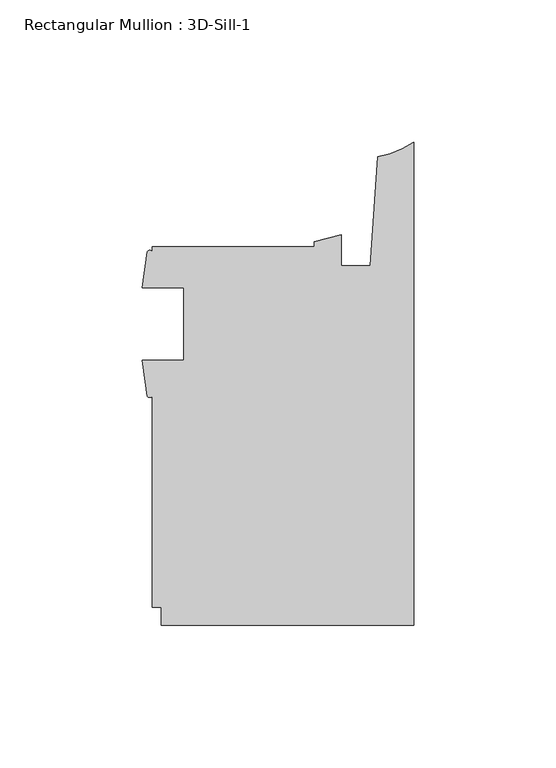
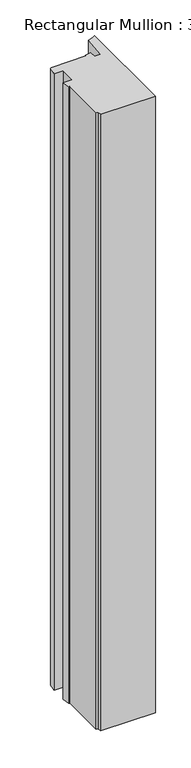
"""IFC4 building model written with IfcOpenShell, lengths in millimetres: member geometry, Rectangular Mullion : 3D-Sill-1."""

import ifcopenshell
import ifcopenshell.guid

model = None  # the IFC model being written
_history = None  # IfcOwnerHistory: only IFC2X3 demands one
_inside = {}  # id of a spatial element -> (the spatial element, [elements in it])
_under = {}  # id of a project, library or spatial element -> (it, [spatial elements below it])
_declared = {}  # id of a project -> (the project, [libraries it declares])
_typed = {}  # id of a type object -> (the type object, [elements of that type])
_made_of = {}  # id of a material, layer set ... -> (it, [elements and type objects made of it])


def new_model(schema):
    """Start an empty IFC model of exactly this schema.

    Asked for "IFC4X3", IfcOpenShell would pick the latest addendum, in which some entities
    have other attributes; the version numbers below select the first issue.
    IFC2X3 requires an IfcOwnerHistory on every rooted entity: one is made here for all.
    """
    global model, _history
    if schema == "IFC4X3":
        model = ifcopenshell.file(schema_version=(4, 3, 0, 0))
    else:
        model = ifcopenshell.file(schema=schema)
    _inside.clear()
    _under.clear()
    _declared.clear()
    _typed.clear()
    _made_of.clear()
    _history = None
    if model.schema == "IFC2X3":
        org = make("IfcOrganization", Name="unknown")
        user = make(
            "IfcPersonAndOrganization",
            ThePerson=make("IfcPerson", FamilyName="unknown"),
            TheOrganization=org,
        )
        app = make(
            "IfcApplication",
            ApplicationDeveloper=org,
            Version="unknown",
            ApplicationFullName="unknown",
            ApplicationIdentifier="unknown",
        )
        _history = make(
            "IfcOwnerHistory",
            OwningUser=user,
            OwningApplication=app,
            ChangeAction="ADDED",
            CreationDate=0,
        )
    return model


def make(cls, **values):
    """One entity of the class cls with the attributes given. An attribute that is None is left unset."""
    return model.create_entity(
        cls, **{name: value for name, value in values.items() if value is not None}
    )


def rooted(cls, **values):
    """An entity with a GlobalId (a new one), such as an element, a storey or a relation."""
    return make(cls, GlobalId=ifcopenshell.guid.new(), OwnerHistory=_history, **values)


def si_unit(unit_type, name, prefix=None):
    """IfcSIUnit, for example si_unit("LENGTHUNIT", "METRE", prefix="MILLI")."""
    return make("IfcSIUnit", UnitType=unit_type, Prefix=prefix, Name=name)


def assignment(units):
    """IfcUnitAssignment: the units of a project."""
    return None if units is None else make("IfcUnitAssignment", Units=units)


def point(xyz):
    """IfcCartesianPoint."""
    return None if xyz is None else make("IfcCartesianPoint", Coordinates=xyz)


def direction(xyz):
    """IfcDirection."""
    return None if xyz is None else make("IfcDirection", DirectionRatios=xyz)


def frame(location, z_axis=None, x_axis=None):
    """IfcAxis2Placement3D, a coordinate frame: its origin and axes. An axis left out is left unset."""
    return make(
        "IfcAxis2Placement3D",
        Location=point(location),
        Axis=direction(z_axis),
        RefDirection=direction(x_axis),
    )


def frame_2d(location, x_axis=None):
    """IfcAxis2Placement2D, a coordinate frame in the plane: its origin and x axis."""
    return make(
        "IfcAxis2Placement2D", Location=point(location), RefDirection=direction(x_axis)
    )


def origin():
    """The frame at (0, 0, 0) with its axes left unset."""
    return frame((0.0, 0.0, 0.0))


def place(relative_to, where):
    """IfcLocalPlacement: puts the frame where relative to a parent placement (None: the world)."""
    return make(
        "IfcLocalPlacement", PlacementRelTo=relative_to, RelativePlacement=where
    )


def context(
    kind, dimensions, precision=None, world=None, true_north=None, identifier=None
):
    """IfcGeometricRepresentationContext, for example the 3D "Model" context."""
    return make(
        "IfcGeometricRepresentationContext",
        ContextIdentifier=identifier,
        ContextType=kind,
        CoordinateSpaceDimension=dimensions,
        Precision=precision,
        WorldCoordinateSystem=world,
        TrueNorth=true_north,
    )


def project(units=None, contexts=None):
    """IfcProject with its units and contexts."""
    return rooted(
        "IfcProject",
        Name="project",
        RepresentationContexts=contexts,
        UnitsInContext=assignment(units),
    )


def spatial(cls, under=None, at=None, **own):
    """A site, building, storey or space (cls), placed at a placement, below another one or the project."""
    s = rooted(cls, ObjectPlacement=at, **own)
    if under is not None:
        _under.setdefault(under.id(), (under, []))[1].append(s)
    return s


def polyline(points):
    """IfcPolyline through the points."""
    return make("IfcPolyline", Points=[point(p) for p in points])


def circle_curve(where, radius):
    """IfcCircle in the frame where."""
    return make("IfcCircle", Position=where, Radius=radius)


def trimmed(basis, trim1, trim2, sense, master):
    """IfcTrimmedCurve: the piece of a basis curve between two trims."""
    return make(
        "IfcTrimmedCurve",
        BasisCurve=basis,
        Trim1=trim1,
        Trim2=trim2,
        SenseAgreement=sense,
        MasterRepresentation=master,
    )


def segment(curve, same_sense, transition):
    """IfcCompositeCurveSegment."""
    return make(
        "IfcCompositeCurveSegment",
        Transition=transition,
        SameSense=same_sense,
        ParentCurve=curve,
    )


def composite_curve(segments, self_intersect=None):
    """IfcCompositeCurve: segments joined end to end."""
    return make("IfcCompositeCurve", Segments=segments, SelfIntersect=self_intersect)


def outline(outer, holes=None, kind="AREA"):
    """IfcArbitraryClosedProfileDef: a profile drawn as a closed curve; with holes, ...WithVoids."""
    if holes is None:
        return make("IfcArbitraryClosedProfileDef", ProfileType=kind, OuterCurve=outer)
    return make(
        "IfcArbitraryProfileDefWithVoids",
        ProfileType=kind,
        OuterCurve=outer,
        InnerCurves=holes,
    )


def extrude(swept, where, along, depth):
    """IfcExtrudedAreaSolid: the profile swept, set in the frame where, extruded along a direction by depth."""
    return make(
        "IfcExtrudedAreaSolid",
        SweptArea=swept,
        Position=where,
        ExtrudedDirection=direction(along),
        Depth=depth,
    )


def shape(context_of_items, identifier, shape_type, items):
    """IfcShapeRepresentation: the items that make up one representation, for example the "Body"."""
    return make(
        "IfcShapeRepresentation",
        ContextOfItems=context_of_items,
        RepresentationIdentifier=identifier,
        RepresentationType=shape_type,
        Items=items,
    )


def source(mapping_origin, context_of_items, identifier, shape_type, items):
    """IfcRepresentationMap: a shape defined once, which mapped items show again and again."""
    return make(
        "IfcRepresentationMap",
        MappingOrigin=mapping_origin,
        MappedRepresentation=shape(context_of_items, identifier, shape_type, items),
    )


def transform(
    local_origin,
    x_axis=None,
    y_axis=None,
    z_axis=None,
    scale=None,
    scale2=None,
    scale3=None,
    uniform=True,
):
    """IfcCartesianTransformationOperator3D, or its non-uniform kind. x_axis, y_axis, z_axis: its Axis1, 2, 3."""
    if uniform:
        return make(
            "IfcCartesianTransformationOperator3D",
            Axis1=direction(x_axis),
            Axis2=direction(y_axis),
            LocalOrigin=point(local_origin),
            Scale=scale,
            Axis3=direction(z_axis),
        )
    return make(
        "IfcCartesianTransformationOperator3DnonUniform",
        Axis1=direction(x_axis),
        Axis2=direction(y_axis),
        LocalOrigin=point(local_origin),
        Scale=scale,
        Axis3=direction(z_axis),
        Scale2=scale2,
        Scale3=scale3,
    )


def mapped(mapping_source, mapping_target):
    """IfcMappedItem: shows the shape of a source again, moved by a transform."""
    return make(
        "IfcMappedItem", MappingSource=mapping_source, MappingTarget=mapping_target
    )


def made_of(thing, what):
    """Note that an element or type object is made of a material, layer set ...; save() writes the relation."""
    if what is not None:
        _made_of.setdefault(what.id(), (what, []))[1].append(thing)
    return thing


def element(
    cls,
    number,
    at=None,
    inside=None,
    cuts=None,
    type_object=None,
    material=None,
    context=None,
    identifier="Body",
    shape_type=None,
    held_by="IfcProductDefinitionShape",
    body=None,
    shapes=None,
    **own,
):
    """One element of the class cls, such as IfcWall. Its Tag is "e" and its number.

    at: its placement. inside: the storey or other place that contains it. cuts: it is an
    opening in that element (IfcRelVoidsElement). A single representation is given by context,
    identifier, shape_type and body (its items); several are given by shapes. held_by: the class
    of the entity that holds the representations. save() writes the other relations.
    """
    e = rooted(cls, Tag="e%d" % number, ObjectPlacement=at, **own)
    if body is not None:
        shapes = [shape(context, identifier, shape_type, body)]
    if shapes is not None:
        e.Representation = make(held_by, Representations=shapes)
    if inside is not None:
        _inside.setdefault(inside.id(), (inside, []))[1].append(e)
    if cuts is not None:
        rooted(
            "IfcRelVoidsElement", RelatingBuildingElement=cuts, RelatedOpeningElement=e
        )
    if type_object is not None:
        _typed.setdefault(type_object.id(), (type_object, []))[1].append(e)
    return made_of(e, material)


def aggregate(whole, parts):
    """IfcRelAggregates: a whole, such as a stair, and the parts it consists of."""
    return rooted("IfcRelAggregates", RelatingObject=whole, RelatedObjects=parts)


def save(model, path):
    """Write the relations noted so far, then the file.

    IfcRelAggregates (storeys below a building ...), IfcRelContainedInSpatialStructure (elements
    in a storey), IfcRelDefinesByType, IfcRelAssociatesMaterial and IfcRelDeclares: one each for
    every whole, place, type object, material and project.
    """
    for whole, parts in _under.values():
        aggregate(whole, parts)
    for where, things in _inside.values():
        rooted(
            "IfcRelContainedInSpatialStructure",
            RelatedElements=things,
            RelatingStructure=where,
        )
    for kind, things in _typed.values():
        rooted("IfcRelDefinesByType", RelatedObjects=things, RelatingType=kind)
    for what, things in _made_of.values():
        rooted("IfcRelAssociatesMaterial", RelatedObjects=things, RelatingMaterial=what)
    for by, libraries in _declared.values():
        rooted("IfcRelDeclares", RelatingContext=by, RelatedDefinitions=libraries)
    model.write(path)


def rectangular_mullion_3d_sill_1_a157460d(model_context):
    return source(origin(), model_context, "Body", "SweptSolid", [
        extrude(outline(composite_curve([segment(trimmed(circle_curve(frame_2d((-92.9068292, 1.9651676)), 1.065983), [point((-92.075127, 1.2983909))], [point((-93.7385314, 1.2983909))], False, "CARTESIAN"), True, "CONTINUOUS"), segment(polyline([(-93.7385314, 1.2983909), (-95.5946487, 14.0714437), (-80.962627, 14.0714437), (-80.962627, 39.4714437), (-95.471127, 39.4714437), (-93.6610233, 52.2427313)]), True, "CONTINUOUS"), segment(trimmed(circle_curve(frame_2d((-92.8705885, 51.8025367)), 0.9047422), [point((-93.6610233, 52.2427313))], [point((-92.075127, 52.2335812))], False, "CARTESIAN"), True, "CONTINUOUS"), segment(polyline([(-92.075127, 52.2335812), (-92.075127, 53.9749687), (-34.925, 53.9749687), (-34.925, 55.706233), (-25.4, 58.1484157), (-25.4, 47.3577987), (-15.24, 47.3577987), (-12.5900978, 85.6123565)]), True, "CONTINUOUS"), segment(trimmed(circle_curve(frame_2d((-16.4585191, 112.6416656)), 27.3047292), [point((-12.5900978, 85.6123565))], [point((0.0, 90.8548488))], True, "CARTESIAN"), True, "CONTINUOUS"), segment(polyline([(0.0, 90.8548488), (0.0, -79.3749687), (-88.899973, -79.3749687), (-88.899973, -73.0250313), (-92.075127, -73.0250313), (-92.075127, 1.2983909)]), True, "CONTINUOUS")], self_intersect=False)), frame((0.0, 0.0, -1053.3824224), z_axis=(0.0, 0.0, 1.0), x_axis=(1.0, 0.0, 0.0)), (0.0, 0.0, 1.0), 1053.3824224),
    ])


if __name__ == "__main__":
    model = new_model("IFC4")
    model_context = context("Model", 3, world=origin())
    ifc_project = project(units=[si_unit("LENGTHUNIT", "METRE", prefix="MILLI")], contexts=[model_context])
    site = spatial("IfcSite", under=ifc_project)
    building = spatial("IfcBuilding", under=site)
    placement = place(None, origin())
    rectangular_mullion_3d_sill_1_shape = rectangular_mullion_3d_sill_1_a157460d(model_context)
    element("IfcMember", 1, ObjectType="Rectangular Mullion : 3D-Sill-1", at=placement, inside=building, context=model_context, shape_type="MappedRepresentation", body=[
        mapped(rectangular_mullion_3d_sill_1_shape, transform((0.0, 0.0, 0.0), x_axis=(1.0, 0.0, 0.0), y_axis=(0.0, 1.0, 0.0), z_axis=(0.0, 0.0, 1.0))),
    ])
    save(model, "model.ifc")
